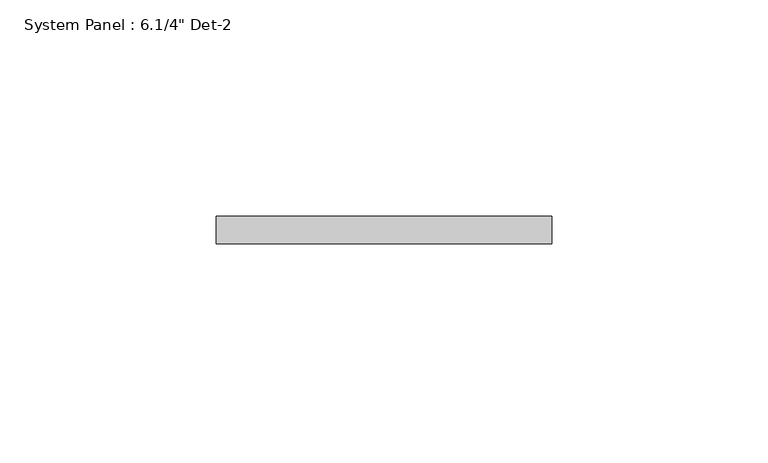
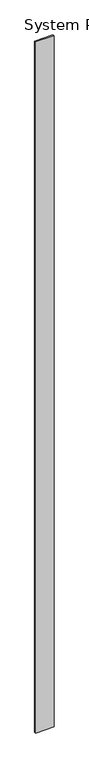
"""IFC4 building model written with IfcOpenShell, lengths in millimetres: plate geometry."""

from ifc_helpers import new_model, si_unit, origin, origin_with_axes, place, context, project, spatial, polyline, outline, extrude, source, transform, mapped, element, save


def plate_8cb11956(model_context):
    return source(origin(), model_context, "Body", "SweptSolid", [
        extrude(outline(polyline([(38.6926505, -6.35), (-38.6926505, -6.35), (-38.6926505, 0.0), (38.6926505, 0.0), (38.6926505, -6.35)])), origin_with_axes(), (0.0, 0.0, 1.0), 3048.0),
    ])


if __name__ == "__main__":
    model = new_model("IFC4")
    model_context = context("Model", 3, world=origin())
    ifc_project = project(units=[si_unit("LENGTHUNIT", "METRE", prefix="MILLI")], contexts=[model_context])
    site = spatial("IfcSite", under=ifc_project)
    building = spatial("IfcBuilding", under=site)
    placement = place(None, origin())
    plate_shape = plate_8cb11956(model_context)
    element("IfcPlate", 1, ObjectType="System Panel : 6.1/4\" Det-2", at=placement, inside=building, context=model_context, shape_type="MappedRepresentation", body=[
        mapped(plate_shape, transform((0.0, 0.0, 0.0), x_axis=(1.0, 0.0, 0.0), y_axis=(0.0, 1.0, 0.0), z_axis=(0.0, 0.0, 1.0))),
    ])
    save(model, "model.ifc")
